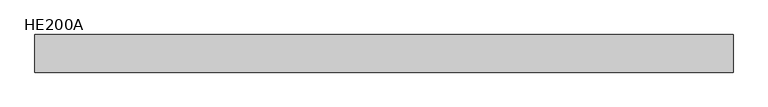
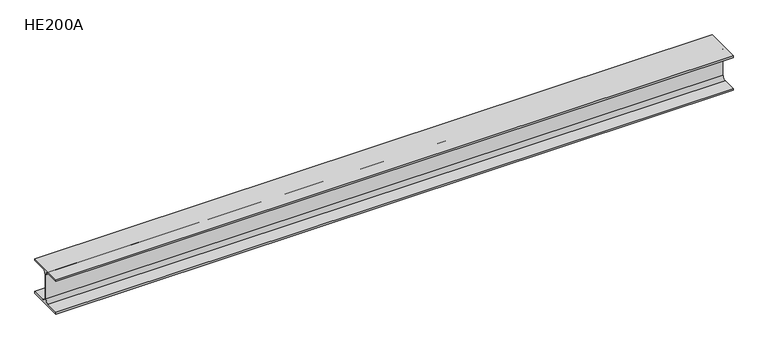
"""IFC4 building model written with IfcOpenShell, lengths in millimetres: beam geometry, HE200A."""

from ifc_helpers import new_model, si_unit, point, frame, frame_2d, origin, place, context, project, spatial, polyline, circle_curve, trimmed, segment, composite_curve, outline, extrude, source, transform, mapped, element, save


def he200a_3c56bf71(model_context):
    return source(origin(), model_context, "Body", "SweptSolid", [
        extrude(outline(composite_curve([segment(polyline([(100.0, -90.0), (100.0, -100.0), (-100.0, -100.0), (-100.0, -90.0), (-24.0, -90.0)]), True, "CONTINUOUS"), segment(trimmed(circle_curve(frame_2d((-24.0, -70.0)), 20.0), [point((-24.0, -90.0))], [point((-4.0, -70.0))], True, "CARTESIAN"), True, "CONTINUOUS"), segment(polyline([(-4.0, -70.0), (-4.0, 70.0)]), True, "CONTINUOUS"), segment(trimmed(circle_curve(frame_2d((-24.0, 70.0)), 20.0), [point((-4.0, 70.0))], [point((-24.0, 90.0))], True, "CARTESIAN"), True, "CONTINUOUS"), segment(polyline([(-24.0, 90.0), (-100.0, 90.0), (-100.0, 100.0), (100.0, 100.0), (100.0, 90.0), (24.0, 90.0)]), True, "CONTINUOUS"), segment(trimmed(circle_curve(frame_2d((24.0, 70.0)), 20.0), [point((24.0, 90.0))], [point((4.0, 70.0))], True, "CARTESIAN"), True, "CONTINUOUS"), segment(polyline([(4.0, 70.0), (4.0, -70.0)]), True, "CONTINUOUS"), segment(trimmed(circle_curve(frame_2d((24.0, -70.0)), 20.0), [point((4.0, -70.0))], [point((24.0, -90.0))], True, "CARTESIAN"), True, "CONTINUOUS"), segment(polyline([(24.0, -90.0), (100.0, -90.0)]), True, "CONTINUOUS")], self_intersect=False)), frame((-1871.0, 0.0, 0.0), z_axis=(1.0, 0.0, 0.0), x_axis=(0.0, 1.0, 0.0)), (0.0, 0.0, 1.0), 3714.0),
    ])


if __name__ == "__main__":
    model = new_model("IFC4")
    model_context = context("Model", 3, world=origin())
    ifc_project = project(units=[si_unit("LENGTHUNIT", "METRE", prefix="MILLI")], contexts=[model_context])
    site = spatial("IfcSite", under=ifc_project)
    building = spatial("IfcBuilding", under=site)
    placement = place(None, origin())
    he200a_shape = he200a_3c56bf71(model_context)
    element("IfcBeam", 1, ObjectType="HE200A", at=placement, inside=building, context=model_context, shape_type="MappedRepresentation", body=[
        mapped(he200a_shape, transform((0.0, 0.0, 0.0), x_axis=(1.0, 0.0, 0.0), y_axis=(0.0, 1.0, 0.0), z_axis=(0.0, 0.0, 1.0))),
    ])
    save(model, "model.ifc")
